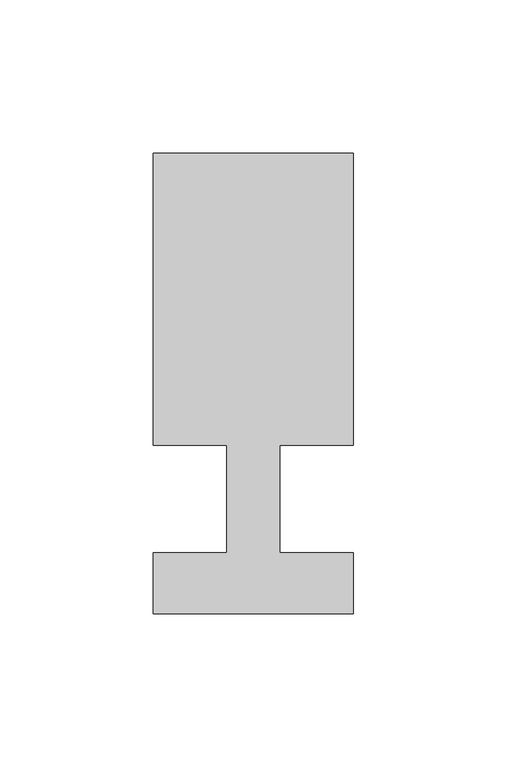
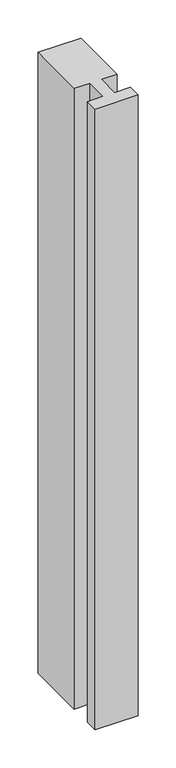
"""IFC4 building model written with IfcOpenShell, lengths in millimetres: member geometry."""

import ifcopenshell
import ifcopenshell.guid

model = None  # the IFC model being written
_history = None  # IfcOwnerHistory: only IFC2X3 demands one
_inside = {}  # id of a spatial element -> (the spatial element, [elements in it])
_under = {}  # id of a project, library or spatial element -> (it, [spatial elements below it])
_declared = {}  # id of a project -> (the project, [libraries it declares])
_typed = {}  # id of a type object -> (the type object, [elements of that type])
_made_of = {}  # id of a material, layer set ... -> (it, [elements and type objects made of it])


def new_model(schema):
    """Start an empty IFC model of exactly this schema.

    Asked for "IFC4X3", IfcOpenShell would pick the latest addendum, in which some entities
    have other attributes; the version numbers below select the first issue.
    IFC2X3 requires an IfcOwnerHistory on every rooted entity: one is made here for all.
    """
    global model, _history
    if schema == "IFC4X3":
        model = ifcopenshell.file(schema_version=(4, 3, 0, 0))
    else:
        model = ifcopenshell.file(schema=schema)
    _inside.clear()
    _under.clear()
    _declared.clear()
    _typed.clear()
    _made_of.clear()
    _history = None
    if model.schema == "IFC2X3":
        org = make("IfcOrganization", Name="unknown")
        user = make(
            "IfcPersonAndOrganization",
            ThePerson=make("IfcPerson", FamilyName="unknown"),
            TheOrganization=org,
        )
        app = make(
            "IfcApplication",
            ApplicationDeveloper=org,
            Version="unknown",
            ApplicationFullName="unknown",
            ApplicationIdentifier="unknown",
        )
        _history = make(
            "IfcOwnerHistory",
            OwningUser=user,
            OwningApplication=app,
            ChangeAction="ADDED",
            CreationDate=0,
        )
    return model


def make(cls, **values):
    """One entity of the class cls with the attributes given. An attribute that is None is left unset."""
    return model.create_entity(
        cls, **{name: value for name, value in values.items() if value is not None}
    )


def rooted(cls, **values):
    """An entity with a GlobalId (a new one), such as an element, a storey or a relation."""
    return make(cls, GlobalId=ifcopenshell.guid.new(), OwnerHistory=_history, **values)


def si_unit(unit_type, name, prefix=None):
    """IfcSIUnit, for example si_unit("LENGTHUNIT", "METRE", prefix="MILLI")."""
    return make("IfcSIUnit", UnitType=unit_type, Prefix=prefix, Name=name)


def assignment(units):
    """IfcUnitAssignment: the units of a project."""
    return None if units is None else make("IfcUnitAssignment", Units=units)


def point(xyz):
    """IfcCartesianPoint."""
    return None if xyz is None else make("IfcCartesianPoint", Coordinates=xyz)


def direction(xyz):
    """IfcDirection."""
    return None if xyz is None else make("IfcDirection", DirectionRatios=xyz)


def frame(location, z_axis=None, x_axis=None):
    """IfcAxis2Placement3D, a coordinate frame: its origin and axes. An axis left out is left unset."""
    return make(
        "IfcAxis2Placement3D",
        Location=point(location),
        Axis=direction(z_axis),
        RefDirection=direction(x_axis),
    )


def origin():
    """The frame at (0, 0, 0) with its axes left unset."""
    return frame((0.0, 0.0, 0.0))


def place(relative_to, where):
    """IfcLocalPlacement: puts the frame where relative to a parent placement (None: the world)."""
    return make(
        "IfcLocalPlacement", PlacementRelTo=relative_to, RelativePlacement=where
    )


def context(
    kind, dimensions, precision=None, world=None, true_north=None, identifier=None
):
    """IfcGeometricRepresentationContext, for example the 3D "Model" context."""
    return make(
        "IfcGeometricRepresentationContext",
        ContextIdentifier=identifier,
        ContextType=kind,
        CoordinateSpaceDimension=dimensions,
        Precision=precision,
        WorldCoordinateSystem=world,
        TrueNorth=true_north,
    )


def project(units=None, contexts=None):
    """IfcProject with its units and contexts."""
    return rooted(
        "IfcProject",
        Name="project",
        RepresentationContexts=contexts,
        UnitsInContext=assignment(units),
    )


def spatial(cls, under=None, at=None, **own):
    """A site, building, storey or space (cls), placed at a placement, below another one or the project."""
    s = rooted(cls, ObjectPlacement=at, **own)
    if under is not None:
        _under.setdefault(under.id(), (under, []))[1].append(s)
    return s


def polyline(points):
    """IfcPolyline through the points."""
    return make("IfcPolyline", Points=[point(p) for p in points])


def outline(outer, holes=None, kind="AREA"):
    """IfcArbitraryClosedProfileDef: a profile drawn as a closed curve; with holes, ...WithVoids."""
    if holes is None:
        return make("IfcArbitraryClosedProfileDef", ProfileType=kind, OuterCurve=outer)
    return make(
        "IfcArbitraryProfileDefWithVoids",
        ProfileType=kind,
        OuterCurve=outer,
        InnerCurves=holes,
    )


def extrude(swept, where, along, depth):
    """IfcExtrudedAreaSolid: the profile swept, set in the frame where, extruded along a direction by depth."""
    return make(
        "IfcExtrudedAreaSolid",
        SweptArea=swept,
        Position=where,
        ExtrudedDirection=direction(along),
        Depth=depth,
    )


def shape(context_of_items, identifier, shape_type, items):
    """IfcShapeRepresentation: the items that make up one representation, for example the "Body"."""
    return make(
        "IfcShapeRepresentation",
        ContextOfItems=context_of_items,
        RepresentationIdentifier=identifier,
        RepresentationType=shape_type,
        Items=items,
    )


def source(mapping_origin, context_of_items, identifier, shape_type, items):
    """IfcRepresentationMap: a shape defined once, which mapped items show again and again."""
    return make(
        "IfcRepresentationMap",
        MappingOrigin=mapping_origin,
        MappedRepresentation=shape(context_of_items, identifier, shape_type, items),
    )


def transform(
    local_origin,
    x_axis=None,
    y_axis=None,
    z_axis=None,
    scale=None,
    scale2=None,
    scale3=None,
    uniform=True,
):
    """IfcCartesianTransformationOperator3D, or its non-uniform kind. x_axis, y_axis, z_axis: its Axis1, 2, 3."""
    if uniform:
        return make(
            "IfcCartesianTransformationOperator3D",
            Axis1=direction(x_axis),
            Axis2=direction(y_axis),
            LocalOrigin=point(local_origin),
            Scale=scale,
            Axis3=direction(z_axis),
        )
    return make(
        "IfcCartesianTransformationOperator3DnonUniform",
        Axis1=direction(x_axis),
        Axis2=direction(y_axis),
        LocalOrigin=point(local_origin),
        Scale=scale,
        Axis3=direction(z_axis),
        Scale2=scale2,
        Scale3=scale3,
    )


def mapped(mapping_source, mapping_target):
    """IfcMappedItem: shows the shape of a source again, moved by a transform."""
    return make(
        "IfcMappedItem", MappingSource=mapping_source, MappingTarget=mapping_target
    )


def made_of(thing, what):
    """Note that an element or type object is made of a material, layer set ...; save() writes the relation."""
    if what is not None:
        _made_of.setdefault(what.id(), (what, []))[1].append(thing)
    return thing


def element(
    cls,
    number,
    at=None,
    inside=None,
    cuts=None,
    type_object=None,
    material=None,
    context=None,
    identifier="Body",
    shape_type=None,
    held_by="IfcProductDefinitionShape",
    body=None,
    shapes=None,
    **own,
):
    """One element of the class cls, such as IfcWall. Its Tag is "e" and its number.

    at: its placement. inside: the storey or other place that contains it. cuts: it is an
    opening in that element (IfcRelVoidsElement). A single representation is given by context,
    identifier, shape_type and body (its items); several are given by shapes. held_by: the class
    of the entity that holds the representations. save() writes the other relations.
    """
    e = rooted(cls, Tag="e%d" % number, ObjectPlacement=at, **own)
    if body is not None:
        shapes = [shape(context, identifier, shape_type, body)]
    if shapes is not None:
        e.Representation = make(held_by, Representations=shapes)
    if inside is not None:
        _inside.setdefault(inside.id(), (inside, []))[1].append(e)
    if cuts is not None:
        rooted(
            "IfcRelVoidsElement", RelatingBuildingElement=cuts, RelatedOpeningElement=e
        )
    if type_object is not None:
        _typed.setdefault(type_object.id(), (type_object, []))[1].append(e)
    return made_of(e, material)


def aggregate(whole, parts):
    """IfcRelAggregates: a whole, such as a stair, and the parts it consists of."""
    return rooted("IfcRelAggregates", RelatingObject=whole, RelatedObjects=parts)


def save(model, path):
    """Write the relations noted so far, then the file.

    IfcRelAggregates (storeys below a building ...), IfcRelContainedInSpatialStructure (elements
    in a storey), IfcRelDefinesByType, IfcRelAssociatesMaterial and IfcRelDeclares: one each for
    every whole, place, type object, material and project.
    """
    for whole, parts in _under.values():
        aggregate(whole, parts)
    for where, things in _inside.values():
        rooted(
            "IfcRelContainedInSpatialStructure",
            RelatedElements=things,
            RelatingStructure=where,
        )
    for kind, things in _typed.values():
        rooted("IfcRelDefinesByType", RelatedObjects=things, RelatingType=kind)
    for what, things in _made_of.values():
        rooted("IfcRelAssociatesMaterial", RelatedObjects=things, RelatingMaterial=what)
    for by, libraries in _declared.values():
        rooted("IfcRelDeclares", RelatingContext=by, RelatedDefinitions=libraries)
    model.write(path)


def member_d67bc894(model_context):
    return source(origin(), model_context, "Body", "SweptSolid", [
        extrude(outline(polyline([(-65.0, -37.0), (-65.0, -17.0), (-41.1875, -17.0), (-41.1875, 18.0), (-65.0, 18.0), (-65.0, 113.0), (0.0, 113.0), (0.0, 18.0), (-23.8125, 18.0), (-23.8125, -17.0), (0.0, -17.0), (0.0, -37.0), (-65.0, -37.0)])), frame((0.0, 0.0, -994.2857143), z_axis=(0.0, 0.0, 1.0), x_axis=(1.0, 0.0, 0.0)), (0.0, 0.0, 1.0), 994.2857143),
    ])


if __name__ == "__main__":
    model = new_model("IFC4")
    model_context = context("Model", 3, world=origin())
    ifc_project = project(units=[si_unit("LENGTHUNIT", "METRE", prefix="MILLI")], contexts=[model_context])
    site = spatial("IfcSite", under=ifc_project)
    building = spatial("IfcBuilding", under=site)
    placement = place(None, origin())
    member_shape = member_d67bc894(model_context)
    element("IfcMember", 1, at=placement, inside=building, context=model_context, shape_type="MappedRepresentation", body=[
        mapped(member_shape, transform((0.0, 0.0, 0.0), x_axis=(1.0, 0.0, 0.0), y_axis=(0.0, 1.0, 0.0), z_axis=(0.0, 0.0, 1.0))),
    ])
    save(model, "model.ifc")
